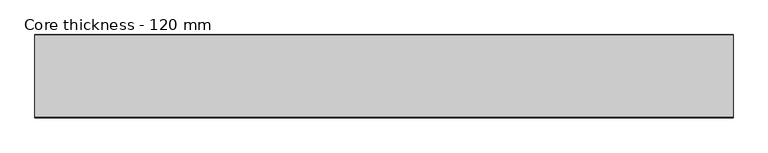
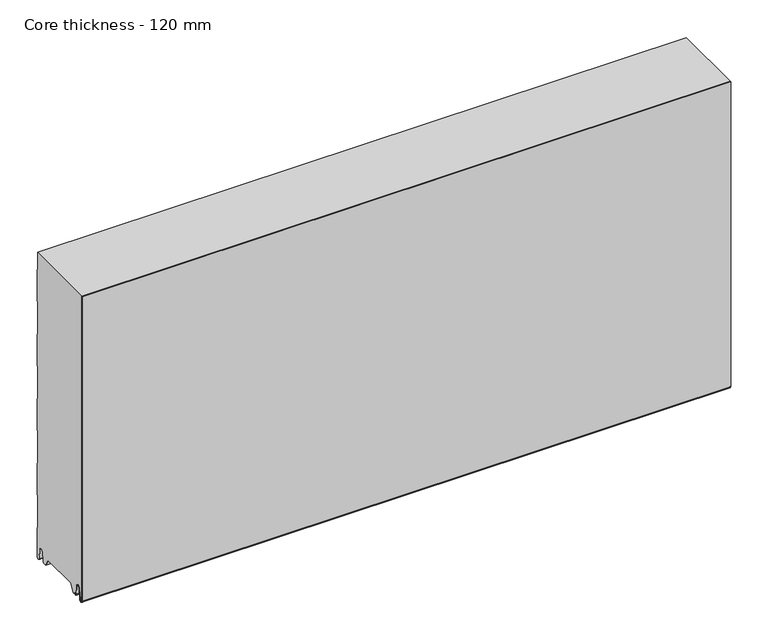
"""IFC4 building model written with IfcOpenShell, lengths in millimetres: plate geometry, Core thickness - 120 mm."""

from ifc_helpers import new_model, si_unit, frame, origin, place, context, project, spatial, polyline, circle_curve, source, transform, mapped, element, save
from ifc_brep_helpers import plane_surface, cylinder_surface, revolved_surface, advanced_brep


def core_thickness_120_mm_d1be5485(model_context):
    return source(origin(), model_context, "Body", "AdvancedBrep", [
        advanced_brep(
        [(500.0000002, -119.9996949, 3.0900682), (500.0000002, -113.81449, 2.7875612), (500.0000002, -112.197116, 19.2828169), (500.0000002, -109.1776715, 21.9898782), (500.0000002, -106.1582271, 19.2828169), (500.0000002, -104.7725998, 5.1510966), (500.0000002, -100.3830995, 5.365779), (500.0000002, -101.1830995, 5.365779), (500.0000002, -103.9764178, 5.2291629), (500.0000002, -105.3620451, 19.3608832), (500.0000002, -109.1776715, 22.7899182), (500.0000002, -112.9932979, 19.3608832), (500.0000002, -114.6106719, 2.8656275), (500.0000002, -119.1996949, 3.0900682), (500.0000002, -119.2, 500.0), (500.0000002, -119.9996949, 500.0), (-500.0000002, -119.1996949, 3.0900682), (-500.0000002, -114.6106719, 2.8656275), (-500.0000002, -112.9932979, 19.3608832), (-500.0000002, -109.1776715, 22.7899182), (-500.0000002, -105.3620451, 19.3608832), (-500.0000002, -103.9764178, 5.2291629), (-500.0000002, -101.1830995, 5.365779), (-500.0000002, -100.3830995, 5.365779), (-500.0000002, -104.7725998, 5.1510966), (-500.0000002, -106.1582271, 19.2828169), (-500.0000002, -109.1776715, 21.9898782), (-500.0000002, -112.197116, 19.2828169), (-500.0000002, -113.81449, 2.7875612), (-500.0000002, -119.9996949, 3.0900682), (-500.0000002, -119.9996949, 500.0), (-500.0000002, -119.2, 500.0)],
        [
            (0, 1, circle_curve(frame((500.0000002, -116.8996949, 3.0900682), z_axis=(1.0, 0.0, 0.0), x_axis=(0.0, 0.0, -1.0)), 3.1)),
            (1, 2),
            (2, 3, circle_curve(frame((500.0000002, -109.2114338, 18.9900682), z_axis=(-1.0, 0.0, 0.0), x_axis=(0.0, 0.0, -1.0)), 3.0)),
            (3, 4, circle_curve(frame((500.0000002, -109.1439093, 18.9900682), z_axis=(-1.0, 0.0, 0.0), x_axis=(0.0, 0.0, -1.0)), 3.0)),
            (4, 5),
            (5, 6, circle_curve(frame((500.0000002, -102.5830995, 5.365779), z_axis=(1.0, 0.0, 0.0), x_axis=(0.0, 0.0, -1.0)), 2.2)),
            (6, 7),
            (7, 8, circle_curve(frame((500.0000002, -102.5830995, 5.365779), z_axis=(-1.0, 0.0, 0.0), x_axis=(0.0, 0.0, -1.0)), 1.4)),
            (8, 9),
            (9, 10, circle_curve(frame((500.0000002, -109.1439093, 18.9900682), z_axis=(1.0, 0.0, 0.0), x_axis=(0.0, 0.0, -1.0)), 3.8)),
            (10, 11, circle_curve(frame((500.0000002, -109.2114338, 18.9900682), z_axis=(1.0, 0.0, 0.0), x_axis=(0.0, 0.0, -1.0)), 3.8)),
            (11, 12),
            (12, 13, circle_curve(frame((500.0000002, -116.8996949, 3.0900682), z_axis=(-1.0, 0.0, 0.0), x_axis=(0.0, 0.0, -1.0)), 2.3)),
            (13, 14),
            (14, 15),
            (15, 0),
            (16, 17, circle_curve(frame((-500.0000002, -116.8996949, 3.0900682), z_axis=(1.0, 0.0, 0.0), x_axis=(0.0, 0.0, -1.0)), 2.3)),
            (17, 18),
            (18, 19, circle_curve(frame((-500.0000002, -109.2114338, 18.9900682), z_axis=(-1.0, 0.0, 0.0), x_axis=(0.0, 0.0, -1.0)), 3.8)),
            (19, 20, circle_curve(frame((-500.0000002, -109.1439093, 18.9900682), z_axis=(-1.0, 0.0, 0.0), x_axis=(0.0, 0.0, -1.0)), 3.8)),
            (20, 21),
            (21, 22, circle_curve(frame((-500.0000002, -102.5830995, 5.365779), z_axis=(1.0, 0.0, 0.0), x_axis=(0.0, 0.0, -1.0)), 1.4)),
            (22, 23),
            (23, 24, circle_curve(frame((-500.0000002, -102.5830995, 5.365779), z_axis=(-1.0, 0.0, 0.0), x_axis=(0.0, 0.0, -1.0)), 2.2)),
            (24, 25),
            (25, 26, circle_curve(frame((-500.0000002, -109.1439093, 18.9900682), z_axis=(1.0, 0.0, 0.0), x_axis=(0.0, 0.0, -1.0)), 3.0)),
            (26, 27, circle_curve(frame((-500.0000002, -109.2114338, 18.9900682), z_axis=(1.0, 0.0, 0.0), x_axis=(0.0, 0.0, -1.0)), 3.0)),
            (27, 28),
            (28, 29, circle_curve(frame((-500.0000002, -116.8996949, 3.0900682), z_axis=(-1.0, 0.0, 0.0), x_axis=(0.0, 0.0, -1.0)), 3.1)),
            (29, 30),
            (30, 31),
            (31, 16),
            (13, 16),
            (31, 14),
            (12, 17),
            (11, 18),
            (10, 19),
            (9, 20),
            (8, 21),
            (7, 22),
            (6, 23),
            (5, 24),
            (4, 25),
            (3, 26),
            (2, 27),
            (1, 28),
            (0, 29),
            (15, 30),
        ],
        [
            plane_surface(frame((500.0000002, -120.0, 0.0), z_axis=(1.0, 0.0, 0.0), x_axis=(0.0, 1.0, 0.0))),
            plane_surface(frame((-500.0000002, -120.0, 0.0), z_axis=(-1.0, 0.0, 0.0), x_axis=(0.0, 1.0, 0.0))),
            plane_surface(frame((500.0000002, -119.2, 3.0900682), z_axis=(0.0, 1.0, 0.0), x_axis=(-1.0, 0.0, 0.0))),
            revolved_surface(polyline([(-500.0000002, -116.8996949, 0.7900682000000003), (500.0000002, -116.8996949, 0.7900682000000003)]), (500.0000002, -116.8996949, 3.0900682), (-1.0, 0.0, 0.0)),
            plane_surface(frame((500.0000002, -112.9932979, 19.3608832), z_axis=(0.0, -0.9952273999818314, 0.09758289975914787), x_axis=(-1.0, 0.0, 0.0))),
            cylinder_surface(frame((500.0000002, -109.2114338, 18.9900682), z_axis=(1.0, 0.0, 0.0), x_axis=(0.0, 0.0, -1.0)), 3.8),
            cylinder_surface(frame((500.0000002, -109.1439093, 18.9900682), z_axis=(1.0, 0.0, 0.0), x_axis=(0.0, 0.0, -1.0)), 3.8),
            plane_surface(frame((500.0000002, -103.9764178, 5.2291629), z_axis=(0.0, 0.9952273999818297, 0.09758289975916531), x_axis=(-1.0, 0.0, 0.0))),
            revolved_surface(polyline([(-500.0000002, -102.5830995, 3.965779), (500.0000002, -102.5830995, 3.965779)]), (500.0000002, -102.5830995, 5.365779), (-1.0, 0.0, 0.0)),
            plane_surface(frame((500.0000002, -100.3830995, 5.365779), z_axis=(0.0, 0.0, 1.0), x_axis=(-1.0, 0.0, 0.0))),
            cylinder_surface(frame((500.0000002, -102.5830995, 5.365779), z_axis=(1.0, 0.0, 0.0), x_axis=(0.0, 0.0, -1.0)), 2.2),
            plane_surface(frame((500.0000002, -106.1582271, 19.2828169), z_axis=(0.0, -0.9952273999818296, -0.09758289975916527), x_axis=(-1.0, 0.0, 0.0))),
            revolved_surface(polyline([(-500.0000002, -109.1439093, 15.9900682), (500.0000002, -109.1439093, 15.9900682)]), (500.0000002, -109.1439093, 18.9900682), (-1.0, 0.0, 0.0)),
            revolved_surface(polyline([(-500.0000002, -109.2114338, 15.9900682), (500.0000002, -109.2114338, 15.9900682)]), (500.0000002, -109.2114338, 18.9900682), (-1.0, 0.0, 0.0)),
            plane_surface(frame((500.0000002, -113.81449, 2.7875612), z_axis=(0.0, 0.9952273999818314, -0.09758289975914787), x_axis=(-1.0, 0.0, 0.0))),
            cylinder_surface(frame((500.0000002, -116.8996949, 3.0900682), z_axis=(1.0, 0.0, 0.0), x_axis=(0.0, 0.0, -1.0)), 3.1),
            plane_surface(frame((500.0000002, -119.9996949, 993.9000005), z_axis=(0.0, -1.0, 0.0), x_axis=(-1.0, 0.0, 0.0))),
            plane_surface(frame((-500.0000002, 134.0533409, 500.0), z_axis=(0.0, 0.0, 1.0), x_axis=(1.0, 0.0, 0.0))),
        ],
        [
            (0, [[1, 2, 3, 4, 5, 6, 7, 8, 9, 10, 11, 12, 13, 14, 15, 16]]),
            (1, [[17, 18, 19, 20, 21, 22, 23, 24, 25, 26, 27, 28, 29, 30, 31, 32]]),
            (2, [[33, -32, 34, -14]]),
            (3, [[-13, 35, -17, -33]]),
            (4, [[-12, 36, -18, -35]]),
            (5, [[-11, 37, -19, -36]]),
            (6, [[-10, 38, -20, -37]]),
            (7, [[-9, 39, -21, -38]]),
            (8, [[-8, 40, -22, -39]]),
            (9, [[-7, 41, -23, -40]]),
            (10, [[-6, 42, -24, -41]]),
            (11, [[-5, 43, -25, -42]]),
            (12, [[-4, 44, -26, -43]]),
            (13, [[-3, 45, -27, -44]]),
            (14, [[-2, 46, -28, -45]]),
            (15, [[-1, 47, -29, -46]]),
            (16, [[-47, -16, 48, -30]]),
            (17, [[-15, -34, -31, -48]]),
        ],
    ),
        advanced_brep(
        [(500.0000002, -89.873448, 15.1417681), (500.0000002, -30.126552, 15.1417681), (500.0000002, -23.4071318, 3.165779), (500.0000002, -17.4169005, 3.165779), (500.0000002, -19.6169005, 5.365779), (500.0000002, -18.8169005, 5.365779), (500.0000002, -16.0235822, 5.2291629), (500.0000002, -14.6379549, 19.3608832), (500.0000002, -10.8223285, 22.7899182), (500.0000002, -7.0067021, 19.3608832), (500.0000002, -5.3893281, 2.8656275), (500.0000002, -0.8003051, 3.0900682), (500.0000002, -0.8, 49.9459237), (500.0000002, -1.0986697, 50.9973395), (500.0000002, -1.5003051, 52.4177205), (500.0000002, -1.5003051, 102.5775037), (500.0000002, -1.0971009, 103.9969151), (500.0000002, -0.8, 105.0493005), (500.0000002, -0.8, 155.2090837), (500.0000002, -1.0986697, 156.2604995), (500.0000002, -1.5003051, 157.6808805), (500.0000002, -1.5003051, 207.8406637), (500.0000002, -1.0971009, 209.2600751), (500.0000002, -0.8, 210.3124605), (500.0000002, -0.8, 260.4722437), (500.0000002, -1.0986697, 261.5236595), (500.0000002, -1.5003051, 262.9440405), (500.0000002, -1.5003051, 313.1038237), (500.0000002, -1.0971009, 314.5232351), (500.0000002, -0.8, 315.5756205), (500.0000002, -0.8, 365.7354037), (500.0000002, -1.0986697, 366.7868195), (500.0000002, -1.5003051, 368.2072005), (500.0000002, -1.5003051, 418.3669837), (500.0000002, -1.0971009, 419.7863951), (500.0000002, -0.8, 420.8387805), (500.0000002, -0.8, 470.9985637), (500.0000002, -1.0986697, 472.0499795), (500.0000002, -1.5003051, 473.4703605), (500.0000002, -1.5003051, 500.0), (500.0000002, -119.2, 500.0), (500.0000002, -119.2, 3.0900682), (500.0000002, -114.6106719, 2.8656275), (500.0000002, -112.9932979, 19.3608832), (500.0000002, -109.1776715, 22.7899182), (500.0000002, -105.3620451, 19.3608832), (500.0000002, -103.9764178, 5.2291629), (500.0000002, -101.1830995, 5.365779), (500.0000002, -100.3830995, 5.365779), (500.0000002, -102.5830995, 3.165779), (500.0000002, -96.5928682, 3.165779), (-500.0000002, -30.126552, 15.1417681), (-500.0000002, -89.873448, 15.1417681), (-500.0000002, -96.5928682, 3.165779), (-500.0000002, -102.5830995, 3.165779), (-500.0000002, -100.3830995, 5.365779), (-500.0000002, -101.1830995, 5.365779), (-500.0000002, -103.9764178, 5.2291629), (-500.0000002, -105.3620451, 19.3608832), (-500.0000002, -109.1776715, 22.7899182), (-500.0000002, -112.9932979, 19.3608832), (-500.0000002, -114.6106719, 2.8656275), (-500.0000002, -119.1996949, 3.0900682), (-500.0000002, -119.2, 500.0), (-500.0000002, -1.5003051, 500.0), (-500.0000002, -1.5003051, 473.4703605), (-500.0000002, -1.0971009, 472.0509491), (-500.0000002, -0.8, 470.9985637), (-500.0000002, -0.8, 420.8387805), (-500.0000002, -1.0986697, 419.7873646), (-500.0000002, -1.5003051, 418.3669837), (-500.0000002, -1.5003051, 368.2072005), (-500.0000002, -1.0971009, 366.7877891), (-500.0000002, -0.8, 365.7354037), (-500.0000002, -0.8, 315.5756205), (-500.0000002, -1.0986697, 314.5242046), (-500.0000002, -1.5003051, 313.1038237), (-500.0000002, -1.5003051, 262.9440405), (-500.0000002, -1.0971009, 261.5246291), (-500.0000002, -0.8, 260.4722437), (-500.0000002, -0.8, 210.3124605), (-500.0000002, -1.0986697, 209.2610446), (-500.0000002, -1.5003051, 207.8406637), (-500.0000002, -1.5003051, 157.6808805), (-500.0000002, -1.0971009, 156.2614691), (-500.0000002, -0.8, 155.2090837), (-500.0000002, -0.8, 105.0493005), (-500.0000002, -1.0986697, 103.9978846), (-500.0000002, -1.5003051, 102.5775037), (-500.0000002, -1.5003051, 52.4177205), (-500.0000002, -1.0971009, 50.9983091), (-500.0000002, -0.8, 49.9459237), (-500.0000002, -0.8, 3.0900682), (-500.0000002, -5.3893281, 2.8656275), (-500.0000002, -7.0067021, 19.3608832), (-500.0000002, -10.8223285, 22.7899182), (-500.0000002, -14.6379549, 19.3608832), (-500.0000002, -16.0235822, 5.2291629), (-500.0000002, -18.8169005, 5.365779), (-500.0000002, -19.6169005, 5.365779), (-500.0000002, -17.4169005, 3.165779), (-500.0000002, -23.4071318, 3.165779)],
        [
            (0, 1),
            (1, 2),
            (2, 3),
            (3, 4, circle_curve(frame((500.0000002, -17.4169005, 5.365779), z_axis=(-1.0, 0.0, 0.0), x_axis=(0.0, 0.0, -1.0)), 2.2)),
            (4, 5),
            (5, 6, circle_curve(frame((500.0000002, -17.4169005, 5.365779), z_axis=(1.0, 0.0, 0.0), x_axis=(0.0, 0.0, -1.0)), 1.4)),
            (6, 7),
            (7, 8, circle_curve(frame((500.0000002, -10.8560907, 18.9900682), z_axis=(-1.0, 0.0, 0.0), x_axis=(0.0, 0.0, -1.0)), 3.8)),
            (8, 9, circle_curve(frame((500.0000002, -10.7885662, 18.9900682), z_axis=(-1.0, 0.0, 0.0), x_axis=(0.0, 0.0, -1.0)), 3.8)),
            (9, 10),
            (10, 11, circle_curve(frame((500.0000002, -3.1003051, 3.0900682), z_axis=(1.0, 0.0, 0.0), x_axis=(0.0, 0.0, -1.0)), 2.3)),
            (11, 12),
            (12, 13, circle_curve(frame((500.0000002, -2.8, 49.9459237), z_axis=(1.0, 0.0, 0.0), x_axis=(0.0, 0.0, -1.0)), 2.0)),
            (13, 14, circle_curve(frame((500.0000002, 1.1996949, 52.4177205), z_axis=(-1.0, 0.0, 0.0), x_axis=(0.0, 0.0, -1.0)), 2.7)),
            (14, 15),
            (15, 16, circle_curve(frame((500.0000002, 1.1996949, 102.5775037), z_axis=(-1.0, 0.0, 0.0), x_axis=(0.0, 0.0, -1.0)), 2.7)),
            (16, 17, circle_curve(frame((500.0000002, -2.8, 105.0493005), z_axis=(1.0, 0.0, 0.0), x_axis=(0.0, 0.0, -1.0)), 2.0)),
            (17, 18),
            (18, 19, circle_curve(frame((500.0000002, -2.8, 155.2090837), z_axis=(1.0, 0.0, 0.0), x_axis=(0.0, 0.0, -1.0)), 2.0)),
            (19, 20, circle_curve(frame((500.0000002, 1.1996949, 157.6808805), z_axis=(-1.0, 0.0, 0.0), x_axis=(0.0, 0.0, -1.0)), 2.7)),
            (20, 21),
            (21, 22, circle_curve(frame((500.0000002, 1.1996949, 207.8406637), z_axis=(-1.0, 0.0, 0.0), x_axis=(0.0, 0.0, -1.0)), 2.7)),
            (22, 23, circle_curve(frame((500.0000002, -2.8, 210.3124605), z_axis=(1.0, 0.0, 0.0), x_axis=(0.0, 0.0, -1.0)), 2.0)),
            (23, 24),
            (24, 25, circle_curve(frame((500.0000002, -2.8, 260.4722437), z_axis=(1.0, 0.0, 0.0), x_axis=(0.0, 0.0, -1.0)), 2.0)),
            (25, 26, circle_curve(frame((500.0000002, 1.1996949, 262.9440405), z_axis=(-1.0, 0.0, 0.0), x_axis=(0.0, 0.0, -1.0)), 2.7)),
            (26, 27),
            (27, 28, circle_curve(frame((500.0000002, 1.1996949, 313.1038237), z_axis=(-1.0, 0.0, 0.0), x_axis=(0.0, 0.0, -1.0)), 2.7)),
            (28, 29, circle_curve(frame((500.0000002, -2.8, 315.5756205), z_axis=(1.0, 0.0, 0.0), x_axis=(0.0, 0.0, -1.0)), 2.0)),
            (29, 30),
            (30, 31, circle_curve(frame((500.0000002, -2.8, 365.7354037), z_axis=(1.0, 0.0, 0.0), x_axis=(0.0, 0.0, -1.0)), 2.0)),
            (31, 32, circle_curve(frame((500.0000002, 1.1996949, 368.2072005), z_axis=(-1.0, 0.0, 0.0), x_axis=(0.0, 0.0, -1.0)), 2.7)),
            (32, 33),
            (33, 34, circle_curve(frame((500.0000002, 1.1996949, 418.3669837), z_axis=(-1.0, 0.0, 0.0), x_axis=(0.0, 0.0, -1.0)), 2.7)),
            (34, 35, circle_curve(frame((500.0000002, -2.8, 420.8387805), z_axis=(1.0, 0.0, 0.0), x_axis=(0.0, 0.0, -1.0)), 2.0)),
            (35, 36),
            (36, 37, circle_curve(frame((500.0000002, -2.8, 470.9985637), z_axis=(1.0, 0.0, 0.0), x_axis=(0.0, 0.0, -1.0)), 2.0)),
            (37, 38, circle_curve(frame((500.0000002, 1.1996949, 473.4703605), z_axis=(-1.0, 0.0, 0.0), x_axis=(0.0, 0.0, -1.0)), 2.7)),
            (38, 39),
            (39, 40),
            (40, 41),
            (41, 42, circle_curve(frame((500.0000002, -116.8996949, 3.0900682), z_axis=(1.0, 0.0, 0.0), x_axis=(0.0, 0.0, -1.0)), 2.3)),
            (42, 43),
            (43, 44, circle_curve(frame((500.0000002, -109.2114338, 18.9900682), z_axis=(-1.0, 0.0, 0.0), x_axis=(0.0, 0.0, -1.0)), 3.8)),
            (44, 45, circle_curve(frame((500.0000002, -109.1439093, 18.9900682), z_axis=(-1.0, 0.0, 0.0), x_axis=(0.0, 0.0, -1.0)), 3.8)),
            (45, 46),
            (46, 47, circle_curve(frame((500.0000002, -102.5830995, 5.365779), z_axis=(1.0, 0.0, 0.0), x_axis=(0.0, 0.0, -1.0)), 1.4)),
            (47, 48),
            (48, 49, circle_curve(frame((500.0000002, -102.5830995, 5.365779), z_axis=(-1.0, 0.0, 0.0), x_axis=(0.0, 0.0, -1.0)), 2.2)),
            (49, 50),
            (50, 0),
            (51, 52),
            (52, 53),
            (53, 54),
            (54, 55, circle_curve(frame((-500.0000002, -102.5830995, 5.365779), z_axis=(1.0, 0.0, 0.0), x_axis=(0.0, 0.0, -1.0)), 2.2)),
            (55, 56),
            (56, 57, circle_curve(frame((-500.0000002, -102.5830995, 5.365779), z_axis=(-1.0, 0.0, 0.0), x_axis=(0.0, 0.0, -1.0)), 1.4)),
            (57, 58),
            (58, 59, circle_curve(frame((-500.0000002, -109.1439093, 18.9900682), z_axis=(1.0, 0.0, 0.0), x_axis=(0.0, 0.0, -1.0)), 3.8)),
            (59, 60, circle_curve(frame((-500.0000002, -109.2114338, 18.9900682), z_axis=(1.0, 0.0, 0.0), x_axis=(0.0, 0.0, -1.0)), 3.8)),
            (60, 61),
            (61, 62, circle_curve(frame((-500.0000002, -116.8996949, 3.0900682), z_axis=(-1.0, 0.0, 0.0), x_axis=(0.0, 0.0, -1.0)), 2.3)),
            (62, 63),
            (63, 64),
            (64, 65),
            (65, 66, circle_curve(frame((-500.0000002, 1.1996949, 473.4703605), z_axis=(1.0, 0.0, 0.0), x_axis=(0.0, 0.0, -1.0)), 2.7)),
            (66, 67, circle_curve(frame((-500.0000002, -2.8, 470.9985637), z_axis=(-1.0, 0.0, 0.0), x_axis=(0.0, 0.0, -1.0)), 2.0)),
            (67, 68),
            (68, 69, circle_curve(frame((-500.0000002, -2.8, 420.8387805), z_axis=(-1.0, 0.0, 0.0), x_axis=(0.0, 0.0, -1.0)), 2.0)),
            (69, 70, circle_curve(frame((-500.0000002, 1.1996949, 418.3669837), z_axis=(1.0, 0.0, 0.0), x_axis=(0.0, 0.0, -1.0)), 2.7)),
            (70, 71),
            (71, 72, circle_curve(frame((-500.0000002, 1.1996949, 368.2072005), z_axis=(1.0, 0.0, 0.0), x_axis=(0.0, 0.0, -1.0)), 2.7)),
            (72, 73, circle_curve(frame((-500.0000002, -2.8, 365.7354037), z_axis=(-1.0, 0.0, 0.0), x_axis=(0.0, 0.0, -1.0)), 2.0)),
            (73, 74),
            (74, 75, circle_curve(frame((-500.0000002, -2.8, 315.5756205), z_axis=(-1.0, 0.0, 0.0), x_axis=(0.0, 0.0, -1.0)), 2.0)),
            (75, 76, circle_curve(frame((-500.0000002, 1.1996949, 313.1038237), z_axis=(1.0, 0.0, 0.0), x_axis=(0.0, 0.0, -1.0)), 2.7)),
            (76, 77),
            (77, 78, circle_curve(frame((-500.0000002, 1.1996949, 262.9440405), z_axis=(1.0, 0.0, 0.0), x_axis=(0.0, 0.0, -1.0)), 2.7)),
            (78, 79, circle_curve(frame((-500.0000002, -2.8, 260.4722437), z_axis=(-1.0, 0.0, 0.0), x_axis=(0.0, 0.0, -1.0)), 2.0)),
            (79, 80),
            (80, 81, circle_curve(frame((-500.0000002, -2.8, 210.3124605), z_axis=(-1.0, 0.0, 0.0), x_axis=(0.0, 0.0, -1.0)), 2.0)),
            (81, 82, circle_curve(frame((-500.0000002, 1.1996949, 207.8406637), z_axis=(1.0, 0.0, 0.0), x_axis=(0.0, 0.0, -1.0)), 2.7)),
            (82, 83),
            (83, 84, circle_curve(frame((-500.0000002, 1.1996949, 157.6808805), z_axis=(1.0, 0.0, 0.0), x_axis=(0.0, 0.0, -1.0)), 2.7)),
            (84, 85, circle_curve(frame((-500.0000002, -2.8, 155.2090837), z_axis=(-1.0, 0.0, 0.0), x_axis=(0.0, 0.0, -1.0)), 2.0)),
            (85, 86),
            (86, 87, circle_curve(frame((-500.0000002, -2.8, 105.0493005), z_axis=(-1.0, 0.0, 0.0), x_axis=(0.0, 0.0, -1.0)), 2.0)),
            (87, 88, circle_curve(frame((-500.0000002, 1.1996949, 102.5775037), z_axis=(1.0, 0.0, 0.0), x_axis=(0.0, 0.0, -1.0)), 2.7)),
            (88, 89),
            (89, 90, circle_curve(frame((-500.0000002, 1.1996949, 52.4177205), z_axis=(1.0, 0.0, 0.0), x_axis=(0.0, 0.0, -1.0)), 2.7)),
            (90, 91, circle_curve(frame((-500.0000002, -2.8, 49.9459237), z_axis=(-1.0, 0.0, 0.0), x_axis=(0.0, 0.0, -1.0)), 2.0)),
            (91, 92),
            (92, 93, circle_curve(frame((-500.0000002, -3.1003051, 3.0900682), z_axis=(-1.0, 0.0, 0.0), x_axis=(0.0, 0.0, -1.0)), 2.3)),
            (93, 94),
            (94, 95, circle_curve(frame((-500.0000002, -10.7885662, 18.9900682), z_axis=(1.0, 0.0, 0.0), x_axis=(0.0, 0.0, -1.0)), 3.8)),
            (95, 96, circle_curve(frame((-500.0000002, -10.8560907, 18.9900682), z_axis=(1.0, 0.0, 0.0), x_axis=(0.0, 0.0, -1.0)), 3.8)),
            (96, 97),
            (97, 98, circle_curve(frame((-500.0000002, -17.4169005, 5.365779), z_axis=(-1.0, 0.0, 0.0), x_axis=(0.0, 0.0, -1.0)), 1.4)),
            (98, 99),
            (99, 100, circle_curve(frame((-500.0000002, -17.4169005, 5.365779), z_axis=(1.0, 0.0, 0.0), x_axis=(0.0, 0.0, -1.0)), 2.2)),
            (100, 101),
            (101, 51),
            (1, 51),
            (101, 2),
            (0, 52),
            (50, 53),
            (99, 4),
            (3, 100),
            (98, 5),
            (97, 6),
            (96, 7),
            (95, 8),
            (94, 9),
            (93, 10),
            (92, 11),
            (91, 12),
            (90, 13),
            (89, 14),
            (88, 15),
            (87, 16),
            (86, 17),
            (85, 18),
            (84, 19),
            (83, 20),
            (82, 21),
            (81, 22),
            (80, 23),
            (79, 24),
            (78, 25),
            (77, 26),
            (76, 27),
            (75, 28),
            (74, 29),
            (73, 30),
            (72, 31),
            (71, 32),
            (70, 33),
            (69, 34),
            (68, 35),
            (67, 36),
            (66, 37),
            (65, 38),
            (64, 39),
            (62, 41),
            (40, 63),
            (61, 42),
            (60, 43),
            (59, 44),
            (58, 45),
            (57, 46),
            (56, 47),
            (55, 48),
            (54, 49),
        ],
        [
            plane_surface(frame((500.0000002, 0.0, 0.0), z_axis=(1.0, 0.0, 0.0), x_axis=(0.0, -1.0, 0.0))),
            plane_surface(frame((-500.0000002, 0.0, 0.0), z_axis=(-1.0, 0.0, 0.0), x_axis=(0.0, -1.0, 0.0))),
            plane_surface(frame((500.0000002, -30.126552, 15.1417681), z_axis=(0.0, -0.8721062992196836, -0.4893164649399687), x_axis=(-1.0, 0.0, 0.0))),
            plane_surface(frame((500.0000002, -89.873448, 15.1417681), z_axis=(0.0, 0.0, -1.0), x_axis=(-1.0, 0.0, 0.0))),
            plane_surface(frame((500.0000002, -96.8190247, 2.7627014), z_axis=(0.0, 0.8721062992196852, -0.48931646493996606), x_axis=(-1.0, 0.0, 0.0))),
            revolved_surface(polyline([(500.0000002, -17.4169005, 3.1657789999999997), (-500.00000020000004, -17.4169005, 3.1657789999999997)]), (630.0000002, -17.4169005, 5.365779), (1.0, 0.0, 0.0)),
            plane_surface(frame((630.0000002, -18.8169005, 5.365779), z_axis=(0.0, 0.0, -1.0), x_axis=(-1.0, 0.0, 0.0))),
            cylinder_surface(frame((630.0000002, -17.4169005, 5.365779), z_axis=(-1.0, 0.0, 0.0), x_axis=(0.0, 0.0, -1.0)), 1.4),
            plane_surface(frame((630.0000002, -14.6379549, 19.3608832), z_axis=(0.0, 0.9952273999818297, -0.09758289975916531), x_axis=(-1.0, 0.0, 0.0))),
            revolved_surface(polyline([(500.0000002, -10.8560907, 15.190068199999999), (-500.00000020000004, -10.8560907, 15.190068199999999)]), (630.0000002, -10.8560907, 18.9900682), (1.0, 0.0, 0.0)),
            revolved_surface(polyline([(500.0000002, -10.7885662, 15.190068199999999), (-500.00000020000004, -10.7885662, 15.190068199999999)]), (630.0000002, -10.7885662, 18.9900682), (1.0, 0.0, 0.0)),
            plane_surface(frame((630.0000002, -5.3893281, 2.8656275), z_axis=(0.0, -0.9952273999818314, -0.09758289975914787), x_axis=(-1.0, 0.0, 0.0))),
            cylinder_surface(frame((630.0000002, -3.1003051, 3.0900682), z_axis=(-1.0, 0.0, 0.0), x_axis=(0.0, 0.0, -1.0)), 2.3),
            plane_surface(frame((630.0000002, -0.8, 49.9459237), z_axis=(0.0, 1.0, 0.0), x_axis=(-1.0, 0.0, 0.0))),
            cylinder_surface(frame((630.0000002, -2.8, 49.9459237), z_axis=(-1.0, 0.0, 0.0), x_axis=(0.0, 0.0, -1.0)), 2.0),
            revolved_surface(polyline([(500.0000002, 1.1996949, 49.7177205), (-500.00000020000004, 1.1996949, 49.7177205)]), (630.0000002, 1.1996949, 52.4177205), (1.0, 0.0, 0.0)),
            plane_surface(frame((630.0000002, -1.5003051, 102.5775037), z_axis=(0.0, 1.0, 0.0), x_axis=(-1.0, 0.0, 0.0))),
            revolved_surface(polyline([(500.0000002, 1.1996949, 99.87750369999999), (-500.00000020000004, 1.1996949, 99.87750369999999)]), (630.0000002, 1.1996949, 102.5775037), (1.0, 0.0, 0.0)),
            cylinder_surface(frame((630.0000002, -2.8, 105.0493005), z_axis=(-1.0, 0.0, 0.0), x_axis=(0.0, 0.0, -1.0)), 2.0),
            plane_surface(frame((630.0000002, -0.8, 155.2090837), z_axis=(0.0, 1.0, 0.0), x_axis=(-1.0, 0.0, 0.0))),
            cylinder_surface(frame((630.0000002, -2.8, 155.2090837), z_axis=(-1.0, 0.0, 0.0), x_axis=(0.0, 0.0, -1.0)), 2.0),
            revolved_surface(polyline([(500.0000002, 1.1996949, 154.9808805), (-500.00000020000004, 1.1996949, 154.9808805)]), (630.0000002, 1.1996949, 157.6808805), (1.0, 0.0, 0.0)),
            plane_surface(frame((630.0000002, -1.5003051, 207.8406637), z_axis=(0.0, 1.0, 0.0), x_axis=(-1.0, 0.0, 0.0))),
            revolved_surface(polyline([(500.0000002, 1.1996949, 205.1406637), (-500.00000020000004, 1.1996949, 205.1406637)]), (630.0000002, 1.1996949, 207.8406637), (1.0, 0.0, 0.0)),
            cylinder_surface(frame((630.0000002, -2.8, 210.3124605), z_axis=(-1.0, 0.0, 0.0), x_axis=(0.0, 0.0, -1.0)), 2.0),
            plane_surface(frame((630.0000002, -0.8, 260.4722437), z_axis=(0.0, 1.0, 0.0), x_axis=(-1.0, 0.0, 0.0))),
            cylinder_surface(frame((630.0000002, -2.8, 260.4722437), z_axis=(-1.0, 0.0, 0.0), x_axis=(0.0, 0.0, -1.0)), 2.0),
            revolved_surface(polyline([(500.0000002, 1.1996949, 260.24404050000004), (-500.00000020000004, 1.1996949, 260.24404050000004)]), (630.0000002, 1.1996949, 262.9440405), (1.0, 0.0, 0.0)),
            plane_surface(frame((630.0000002, -1.5003051, 313.1038237), z_axis=(0.0, 1.0, 0.0), x_axis=(-1.0, 0.0, 0.0))),
            revolved_surface(polyline([(500.0000002, 1.1996949, 310.40382370000003), (-500.00000020000004, 1.1996949, 310.40382370000003)]), (630.0000002, 1.1996949, 313.1038237), (1.0, 0.0, 0.0)),
            cylinder_surface(frame((630.0000002, -2.8, 315.5756205), z_axis=(-1.0, 0.0, 0.0), x_axis=(0.0, 0.0, -1.0)), 2.0),
            plane_surface(frame((630.0000002, -0.8, 365.7354037), z_axis=(0.0, 1.0, 0.0), x_axis=(-1.0, 0.0, 0.0))),
            cylinder_surface(frame((630.0000002, -2.8, 365.7354037), z_axis=(-1.0, 0.0, 0.0), x_axis=(0.0, 0.0, -1.0)), 2.0),
            revolved_surface(polyline([(500.0000002, 1.1996949, 365.5072005), (-500.00000020000004, 1.1996949, 365.5072005)]), (630.0000002, 1.1996949, 368.2072005), (1.0, 0.0, 0.0)),
            plane_surface(frame((630.0000002, -1.5003051, 418.3669837), z_axis=(0.0, 1.0, 0.0), x_axis=(-1.0, 0.0, 0.0))),
            revolved_surface(polyline([(500.0000002, 1.1996949, 415.6669837), (-500.00000020000004, 1.1996949, 415.6669837)]), (630.0000002, 1.1996949, 418.3669837), (1.0, 0.0, 0.0)),
            cylinder_surface(frame((630.0000002, -2.8, 420.8387805), z_axis=(-1.0, 0.0, 0.0), x_axis=(0.0, 0.0, -1.0)), 2.0),
            plane_surface(frame((630.0000002, -0.8, 470.9985637), z_axis=(0.0, 1.0, 0.0), x_axis=(-1.0, 0.0, 0.0))),
            cylinder_surface(frame((630.0000002, -2.8, 470.9985637), z_axis=(-1.0, 0.0, 0.0), x_axis=(0.0, 0.0, -1.0)), 2.0),
            revolved_surface(polyline([(500.0000002, 1.1996949, 470.77036050000004), (-500.00000020000004, 1.1996949, 470.77036050000004)]), (630.0000002, 1.1996949, 473.4703605), (1.0, 0.0, 0.0)),
            plane_surface(frame((630.0000002, -1.5003051, 523.6301437), z_axis=(0.0, 1.0, 0.0), x_axis=(-1.0, 0.0, 0.0))),
            plane_surface(frame((630.0000002, -119.2, 3.0900682), z_axis=(0.0, -1.0, 0.0), x_axis=(-1.0, 0.0, 0.0))),
            cylinder_surface(frame((630.0000002, -116.8996949, 3.0900682), z_axis=(-1.0, 0.0, 0.0), x_axis=(0.0, 0.0, -1.0)), 2.3),
            plane_surface(frame((630.0000002, -112.9932979, 19.3608832), z_axis=(0.0, 0.9952273999818314, -0.09758289975914787), x_axis=(-1.0, 0.0, 0.0))),
            revolved_surface(polyline([(500.0000002, -109.2114338, 15.190068199999999), (-500.00000020000004, -109.2114338, 15.190068199999999)]), (630.0000002, -109.2114338, 18.9900682), (1.0, 0.0, 0.0)),
            revolved_surface(polyline([(500.0000002, -109.1439093, 15.190068199999999), (-500.00000020000004, -109.1439093, 15.190068199999999)]), (630.0000002, -109.1439093, 18.9900682), (1.0, 0.0, 0.0)),
            plane_surface(frame((630.0000002, -103.9764178, 5.2291629), z_axis=(0.0, -0.9952273999818297, -0.09758289975916531), x_axis=(-1.0, 0.0, 0.0))),
            cylinder_surface(frame((630.0000002, -102.5830995, 5.365779), z_axis=(-1.0, 0.0, 0.0), x_axis=(0.0, 0.0, -1.0)), 1.4),
            plane_surface(frame((630.0000002, -100.3830995, 5.365779), z_axis=(0.0, 0.0, -1.0), x_axis=(-1.0, 0.0, 0.0))),
            revolved_surface(polyline([(500.0000002, -102.5830995, 3.1657789999999997), (-500.00000020000004, -102.5830995, 3.1657789999999997)]), (630.0000002, -102.5830995, 5.365779), (1.0, 0.0, 0.0)),
            plane_surface(frame((-500.0000002, -102.5830995, 3.165779), z_axis=(0.0, 0.0, -1.0), x_axis=(1.0, 0.0, 0.0))),
            plane_surface(frame((-500.0000002, 134.0533409, 500.0), z_axis=(0.0, 0.0, 1.0), x_axis=(1.0, 0.0, 0.0))),
        ],
        [
            (0, [[1, 2, 3, 4, 5, 6, 7, 8, 9, 10, 11, 12, 13, 14, 15, 16, 17, 18, 19, 20, 21, 22, 23, 24, 25, 26, 27, 28, 29, 30, 31, 32, 33, 34, 35, 36, 37, 38, 39, 40, 41, 42, 43, 44, 45, 46, 47, 48, 49, 50, 51]]),
            (1, [[52, 53, 54, 55, 56, 57, 58, 59, 60, 61, 62, 63, 64, 65, 66, 67, 68, 69, 70, 71, 72, 73, 74, 75, 76, 77, 78, 79, 80, 81, 82, 83, 84, 85, 86, 87, 88, 89, 90, 91, 92, 93, 94, 95, 96, 97, 98, 99, 100, 101, 102]]),
            (2, [[103, -102, 104, -2]]),
            (3, [[-1, 105, -52, -103]]),
            (4, [[-105, -51, 106, -53]]),
            (5, [[107, -4, 108, -100]]),
            (6, [[-107, -99, 109, -5]]),
            (7, [[-109, -98, 110, -6]]),
            (8, [[-110, -97, 111, -7]]),
            (9, [[-111, -96, 112, -8]]),
            (10, [[-112, -95, 113, -9]]),
            (11, [[-113, -94, 114, -10]]),
            (12, [[-114, -93, 115, -11]]),
            (13, [[-115, -92, 116, -12]]),
            (14, [[-116, -91, 117, -13]]),
            (15, [[-117, -90, 118, -14]]),
            (16, [[-118, -89, 119, -15]]),
            (17, [[-119, -88, 120, -16]]),
            (18, [[-120, -87, 121, -17]]),
            (19, [[-121, -86, 122, -18]]),
            (20, [[-122, -85, 123, -19]]),
            (21, [[-123, -84, 124, -20]]),
            (22, [[-124, -83, 125, -21]]),
            (23, [[-125, -82, 126, -22]]),
            (24, [[-126, -81, 127, -23]]),
            (25, [[-127, -80, 128, -24]]),
            (26, [[-128, -79, 129, -25]]),
            (27, [[-129, -78, 130, -26]]),
            (28, [[-130, -77, 131, -27]]),
            (29, [[-131, -76, 132, -28]]),
            (30, [[-132, -75, 133, -29]]),
            (31, [[-133, -74, 134, -30]]),
            (32, [[-134, -73, 135, -31]]),
            (33, [[-135, -72, 136, -32]]),
            (34, [[-136, -71, 137, -33]]),
            (35, [[-137, -70, 138, -34]]),
            (36, [[-138, -69, 139, -35]]),
            (37, [[-139, -68, 140, -36]]),
            (38, [[-140, -67, 141, -37]]),
            (39, [[-141, -66, 142, -38]]),
            (40, [[-142, -65, 143, -39]]),
            (41, [[144, -41, 145, -63]]),
            (42, [[-144, -62, 146, -42]]),
            (43, [[-146, -61, 147, -43]]),
            (44, [[-147, -60, 148, -44]]),
            (45, [[-148, -59, 149, -45]]),
            (46, [[-149, -58, 150, -46]]),
            (47, [[-150, -57, 151, -47]]),
            (48, [[-151, -56, 152, -48]]),
            (49, [[-152, -55, 153, -49]]),
            (50, [[-3, -104, -101, -108]]),
            (50, [[-50, -153, -54, -106]]),
            (51, [[-143, -64, -145, -40]]),
        ],
    ),
    ])


if __name__ == "__main__":
    model = new_model("IFC4")
    model_context = context("Model", 3, world=origin())
    ifc_project = project(units=[si_unit("LENGTHUNIT", "METRE", prefix="MILLI")], contexts=[model_context])
    site = spatial("IfcSite", under=ifc_project)
    building = spatial("IfcBuilding", under=site)
    placement = place(None, origin())
    core_thickness_120_mm_shape = core_thickness_120_mm_d1be5485(model_context)
    element("IfcPlate", 1, ObjectType="Core thickness - 120 mm", at=placement, inside=building, context=model_context, shape_type="MappedRepresentation", body=[
        mapped(core_thickness_120_mm_shape, transform((0.0, 0.0, 0.0), x_axis=(1.0, 0.0, 0.0), y_axis=(0.0, 1.0, 0.0), z_axis=(0.0, 0.0, 1.0))),
    ])
    save(model, "model.ifc")
